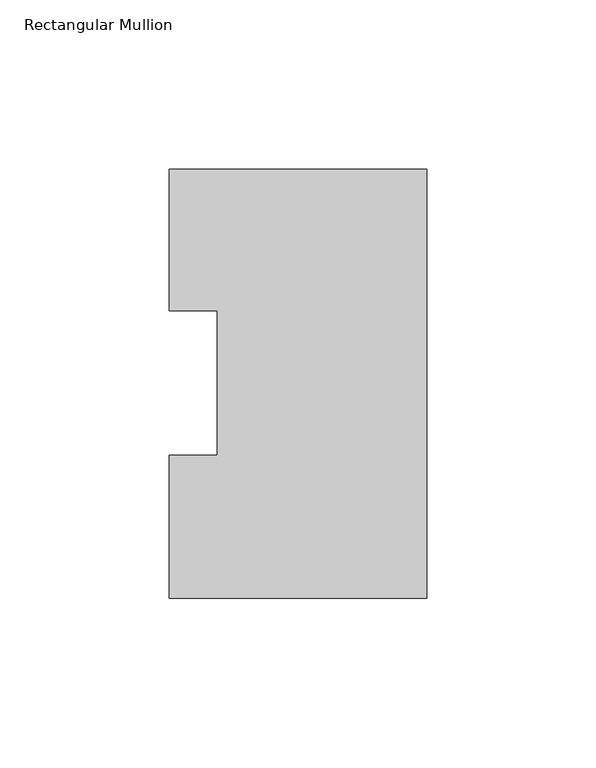
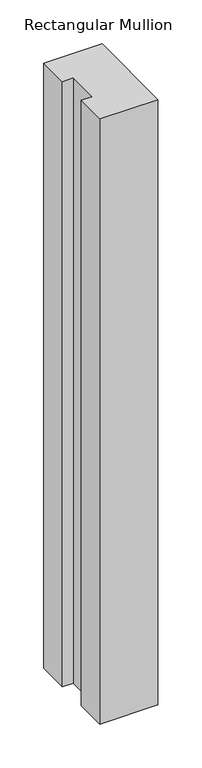
"""IFC4 building model written with IfcOpenShell, lengths in millimetres: member geometry, Rectangular Mullion."""

from ifc_helpers import new_model, si_unit, frame, origin, place, context, project, spatial, polyline, outline, extrude, source, transform, mapped, element, save


def rectangular_mullion_b452d26f(model_context):
    return source(origin(), model_context, "Body", "SweptSolid", [
        extrude(outline(polyline([(-76.1994574, 126.9888875), (0.0, 126.9888875), (0.0, -0.0111125), (-76.1994574, -0.0111125), (-76.1994574, 42.2798875), (-61.9139549, 42.2798875), (-61.9139549, 85.1296875), (-76.1994574, 85.1296875), (-76.1994574, 126.9888875)])), frame((0.0, 0.0, -839.7738413), z_axis=(0.0, 0.0, 1.0), x_axis=(1.0, 0.0, 0.0)), (0.0, 0.0, 1.0), 839.7738413),
    ])


if __name__ == "__main__":
    model = new_model("IFC4")
    model_context = context("Model", 3, world=origin())
    ifc_project = project(units=[si_unit("LENGTHUNIT", "METRE", prefix="MILLI")], contexts=[model_context])
    site = spatial("IfcSite", under=ifc_project)
    building = spatial("IfcBuilding", under=site)
    placement = place(None, origin())
    rectangular_mullion_shape = rectangular_mullion_b452d26f(model_context)
    element("IfcMember", 1, ObjectType="Rectangular Mullion", at=placement, inside=building, context=model_context, shape_type="MappedRepresentation", body=[
        mapped(rectangular_mullion_shape, transform((0.0, 0.0, 0.0), x_axis=(1.0, 0.0, 0.0), y_axis=(0.0, 1.0, 0.0), z_axis=(0.0, 0.0, 1.0))),
    ])
    save(model, "model.ifc")
